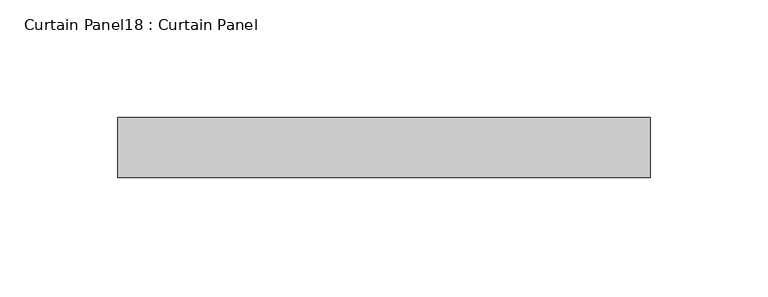
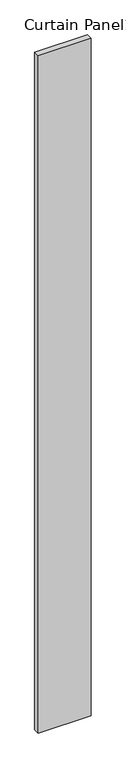
"""IFC4 building model written with IfcOpenShell, lengths in millimetres: plate geometry, Curtain Panel18 : Curtain Panel."""

from ifc_helpers import new_model, si_unit, frame, origin, place, context, project, spatial, polyline, outline, extrude, source, transform, mapped, element, save


def curtain_panel18_curtain_panel_c397fa86(model_context):
    return source(origin(), model_context, "Body", "SweptSolid", [
        extrude(outline(polyline([(60107.4960614, 2702.0622787), (59882.0711746, 2702.0622787), (59882.0711746, 2727.4622787), (60107.4960614, 2727.4622787), (60107.4960614, 2702.0622787)])), frame((0.0, 0.0, -995.0273224), z_axis=(0.0, 0.0, 1.0), x_axis=(1.0, 0.0, 0.0)), (0.0, 0.0, 1.0), 3048.0479852),
    ])


if __name__ == "__main__":
    model = new_model("IFC4")
    model_context = context("Model", 3, world=origin())
    ifc_project = project(units=[si_unit("LENGTHUNIT", "METRE", prefix="MILLI")], contexts=[model_context])
    site = spatial("IfcSite", under=ifc_project)
    building = spatial("IfcBuilding", under=site)
    placement = place(None, origin())
    curtain_panel18_curtain_panel_shape = curtain_panel18_curtain_panel_c397fa86(model_context)
    element("IfcPlate", 1, ObjectType="Curtain Panel18 : Curtain Panel", at=placement, inside=building, context=model_context, shape_type="MappedRepresentation", body=[
        mapped(curtain_panel18_curtain_panel_shape, transform((0.0, 0.0, 0.0), x_axis=(1.0, 0.0, 0.0), y_axis=(0.0, 1.0, 0.0), z_axis=(0.0, 0.0, 1.0))),
    ])
    save(model, "model.ifc")
